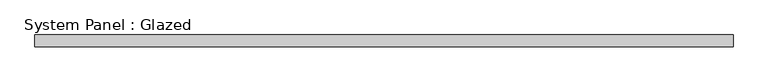
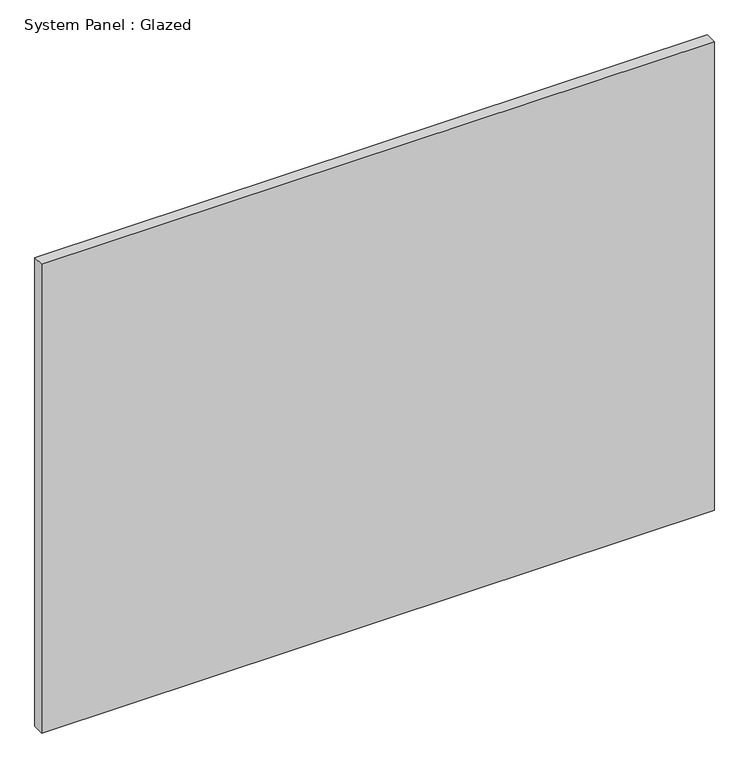
"""IFC4 building model written with IfcOpenShell, lengths in millimetres: plate geometry, System Panel : Glazed."""

import ifcopenshell
import ifcopenshell.guid

model = None  # the IFC model being written
_history = None  # IfcOwnerHistory: only IFC2X3 demands one
_inside = {}  # id of a spatial element -> (the spatial element, [elements in it])
_under = {}  # id of a project, library or spatial element -> (it, [spatial elements below it])
_declared = {}  # id of a project -> (the project, [libraries it declares])
_typed = {}  # id of a type object -> (the type object, [elements of that type])
_made_of = {}  # id of a material, layer set ... -> (it, [elements and type objects made of it])


def new_model(schema):
    """Start an empty IFC model of exactly this schema.

    Asked for "IFC4X3", IfcOpenShell would pick the latest addendum, in which some entities
    have other attributes; the version numbers below select the first issue.
    IFC2X3 requires an IfcOwnerHistory on every rooted entity: one is made here for all.
    """
    global model, _history
    if schema == "IFC4X3":
        model = ifcopenshell.file(schema_version=(4, 3, 0, 0))
    else:
        model = ifcopenshell.file(schema=schema)
    _inside.clear()
    _under.clear()
    _declared.clear()
    _typed.clear()
    _made_of.clear()
    _history = None
    if model.schema == "IFC2X3":
        org = make("IfcOrganization", Name="unknown")
        user = make(
            "IfcPersonAndOrganization",
            ThePerson=make("IfcPerson", FamilyName="unknown"),
            TheOrganization=org,
        )
        app = make(
            "IfcApplication",
            ApplicationDeveloper=org,
            Version="unknown",
            ApplicationFullName="unknown",
            ApplicationIdentifier="unknown",
        )
        _history = make(
            "IfcOwnerHistory",
            OwningUser=user,
            OwningApplication=app,
            ChangeAction="ADDED",
            CreationDate=0,
        )
    return model


def make(cls, **values):
    """One entity of the class cls with the attributes given. An attribute that is None is left unset."""
    return model.create_entity(
        cls, **{name: value for name, value in values.items() if value is not None}
    )


def rooted(cls, **values):
    """An entity with a GlobalId (a new one), such as an element, a storey or a relation."""
    return make(cls, GlobalId=ifcopenshell.guid.new(), OwnerHistory=_history, **values)


def si_unit(unit_type, name, prefix=None):
    """IfcSIUnit, for example si_unit("LENGTHUNIT", "METRE", prefix="MILLI")."""
    return make("IfcSIUnit", UnitType=unit_type, Prefix=prefix, Name=name)


def assignment(units):
    """IfcUnitAssignment: the units of a project."""
    return None if units is None else make("IfcUnitAssignment", Units=units)


def point(xyz):
    """IfcCartesianPoint."""
    return None if xyz is None else make("IfcCartesianPoint", Coordinates=xyz)


def direction(xyz):
    """IfcDirection."""
    return None if xyz is None else make("IfcDirection", DirectionRatios=xyz)


def frame(location, z_axis=None, x_axis=None):
    """IfcAxis2Placement3D, a coordinate frame: its origin and axes. An axis left out is left unset."""
    return make(
        "IfcAxis2Placement3D",
        Location=point(location),
        Axis=direction(z_axis),
        RefDirection=direction(x_axis),
    )


def origin():
    """The frame at (0, 0, 0) with its axes left unset."""
    return frame((0.0, 0.0, 0.0))


def origin_with_axes():
    """The frame at (0, 0, 0) with the z axis (0, 0, 1) and the x axis (1, 0, 0) written out."""
    return frame((0.0, 0.0, 0.0), z_axis=(0.0, 0.0, 1.0), x_axis=(1.0, 0.0, 0.0))


def place(relative_to, where):
    """IfcLocalPlacement: puts the frame where relative to a parent placement (None: the world)."""
    return make(
        "IfcLocalPlacement", PlacementRelTo=relative_to, RelativePlacement=where
    )


def context(
    kind, dimensions, precision=None, world=None, true_north=None, identifier=None
):
    """IfcGeometricRepresentationContext, for example the 3D "Model" context."""
    return make(
        "IfcGeometricRepresentationContext",
        ContextIdentifier=identifier,
        ContextType=kind,
        CoordinateSpaceDimension=dimensions,
        Precision=precision,
        WorldCoordinateSystem=world,
        TrueNorth=true_north,
    )


def project(units=None, contexts=None):
    """IfcProject with its units and contexts."""
    return rooted(
        "IfcProject",
        Name="project",
        RepresentationContexts=contexts,
        UnitsInContext=assignment(units),
    )


def spatial(cls, under=None, at=None, **own):
    """A site, building, storey or space (cls), placed at a placement, below another one or the project."""
    s = rooted(cls, ObjectPlacement=at, **own)
    if under is not None:
        _under.setdefault(under.id(), (under, []))[1].append(s)
    return s


def polyline(points):
    """IfcPolyline through the points."""
    return make("IfcPolyline", Points=[point(p) for p in points])


def outline(outer, holes=None, kind="AREA"):
    """IfcArbitraryClosedProfileDef: a profile drawn as a closed curve; with holes, ...WithVoids."""
    if holes is None:
        return make("IfcArbitraryClosedProfileDef", ProfileType=kind, OuterCurve=outer)
    return make(
        "IfcArbitraryProfileDefWithVoids",
        ProfileType=kind,
        OuterCurve=outer,
        InnerCurves=holes,
    )


def extrude(swept, where, along, depth):
    """IfcExtrudedAreaSolid: the profile swept, set in the frame where, extruded along a direction by depth."""
    return make(
        "IfcExtrudedAreaSolid",
        SweptArea=swept,
        Position=where,
        ExtrudedDirection=direction(along),
        Depth=depth,
    )


def shape(context_of_items, identifier, shape_type, items):
    """IfcShapeRepresentation: the items that make up one representation, for example the "Body"."""
    return make(
        "IfcShapeRepresentation",
        ContextOfItems=context_of_items,
        RepresentationIdentifier=identifier,
        RepresentationType=shape_type,
        Items=items,
    )


def source(mapping_origin, context_of_items, identifier, shape_type, items):
    """IfcRepresentationMap: a shape defined once, which mapped items show again and again."""
    return make(
        "IfcRepresentationMap",
        MappingOrigin=mapping_origin,
        MappedRepresentation=shape(context_of_items, identifier, shape_type, items),
    )


def transform(
    local_origin,
    x_axis=None,
    y_axis=None,
    z_axis=None,
    scale=None,
    scale2=None,
    scale3=None,
    uniform=True,
):
    """IfcCartesianTransformationOperator3D, or its non-uniform kind. x_axis, y_axis, z_axis: its Axis1, 2, 3."""
    if uniform:
        return make(
            "IfcCartesianTransformationOperator3D",
            Axis1=direction(x_axis),
            Axis2=direction(y_axis),
            LocalOrigin=point(local_origin),
            Scale=scale,
            Axis3=direction(z_axis),
        )
    return make(
        "IfcCartesianTransformationOperator3DnonUniform",
        Axis1=direction(x_axis),
        Axis2=direction(y_axis),
        LocalOrigin=point(local_origin),
        Scale=scale,
        Axis3=direction(z_axis),
        Scale2=scale2,
        Scale3=scale3,
    )


def mapped(mapping_source, mapping_target):
    """IfcMappedItem: shows the shape of a source again, moved by a transform."""
    return make(
        "IfcMappedItem", MappingSource=mapping_source, MappingTarget=mapping_target
    )


def made_of(thing, what):
    """Note that an element or type object is made of a material, layer set ...; save() writes the relation."""
    if what is not None:
        _made_of.setdefault(what.id(), (what, []))[1].append(thing)
    return thing


def element(
    cls,
    number,
    at=None,
    inside=None,
    cuts=None,
    type_object=None,
    material=None,
    context=None,
    identifier="Body",
    shape_type=None,
    held_by="IfcProductDefinitionShape",
    body=None,
    shapes=None,
    **own,
):
    """One element of the class cls, such as IfcWall. Its Tag is "e" and its number.

    at: its placement. inside: the storey or other place that contains it. cuts: it is an
    opening in that element (IfcRelVoidsElement). A single representation is given by context,
    identifier, shape_type and body (its items); several are given by shapes. held_by: the class
    of the entity that holds the representations. save() writes the other relations.
    """
    e = rooted(cls, Tag="e%d" % number, ObjectPlacement=at, **own)
    if body is not None:
        shapes = [shape(context, identifier, shape_type, body)]
    if shapes is not None:
        e.Representation = make(held_by, Representations=shapes)
    if inside is not None:
        _inside.setdefault(inside.id(), (inside, []))[1].append(e)
    if cuts is not None:
        rooted(
            "IfcRelVoidsElement", RelatingBuildingElement=cuts, RelatedOpeningElement=e
        )
    if type_object is not None:
        _typed.setdefault(type_object.id(), (type_object, []))[1].append(e)
    return made_of(e, material)


def aggregate(whole, parts):
    """IfcRelAggregates: a whole, such as a stair, and the parts it consists of."""
    return rooted("IfcRelAggregates", RelatingObject=whole, RelatedObjects=parts)


def save(model, path):
    """Write the relations noted so far, then the file.

    IfcRelAggregates (storeys below a building ...), IfcRelContainedInSpatialStructure (elements
    in a storey), IfcRelDefinesByType, IfcRelAssociatesMaterial and IfcRelDeclares: one each for
    every whole, place, type object, material and project.
    """
    for whole, parts in _under.values():
        aggregate(whole, parts)
    for where, things in _inside.values():
        rooted(
            "IfcRelContainedInSpatialStructure",
            RelatedElements=things,
            RelatingStructure=where,
        )
    for kind, things in _typed.values():
        rooted("IfcRelDefinesByType", RelatedObjects=things, RelatingType=kind)
    for what, things in _made_of.values():
        rooted("IfcRelAssociatesMaterial", RelatedObjects=things, RelatingMaterial=what)
    for by, libraries in _declared.values():
        rooted("IfcRelDeclares", RelatingContext=by, RelatedDefinitions=libraries)
    model.write(path)


def system_panel_glazed_9b11ec31(model_context):
    return source(origin(), model_context, "Body", "SweptSolid", [
        extrude(outline(polyline([(733.425, -12.7), (-733.425, -12.7), (-733.425, 12.7), (733.425, 12.7), (733.425, -12.7)])), origin_with_axes(), (0.0, 0.0, 1.0), 1080.0),
    ])


if __name__ == "__main__":
    model = new_model("IFC4")
    model_context = context("Model", 3, world=origin())
    ifc_project = project(units=[si_unit("LENGTHUNIT", "METRE", prefix="MILLI")], contexts=[model_context])
    site = spatial("IfcSite", under=ifc_project)
    building = spatial("IfcBuilding", under=site)
    placement = place(None, origin())
    system_panel_glazed_shape = system_panel_glazed_9b11ec31(model_context)
    element("IfcPlate", 1, ObjectType="System Panel : Glazed", at=placement, inside=building, context=model_context, shape_type="MappedRepresentation", body=[
        mapped(system_panel_glazed_shape, transform((0.0, 0.0, 0.0), x_axis=(1.0, 0.0, 0.0), y_axis=(0.0, 1.0, 0.0), z_axis=(0.0, 0.0, 1.0))),
    ])
    save(model, "model.ifc")
